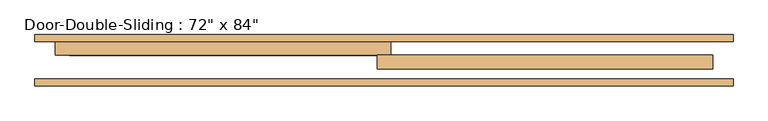
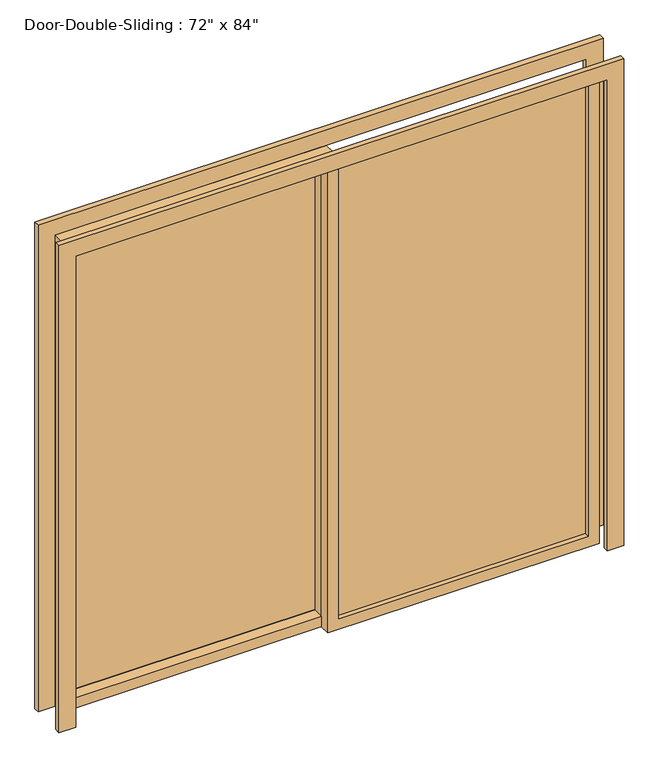
"""IFC4 building model written with IfcOpenShell, lengths in millimetres: door geometry."""

from ifc_helpers import new_model, si_unit, frame, origin, place, context, project, spatial, polyline, outline, extrude, source, transform, mapped, element, save


def door_dbe7582c(model_context):
    return source(origin(), model_context, "Body", "SweptSolid", [
        extrude(outline(polyline([(0.0, -1295.4), (0.0, -1219.2), (2286.0, -1219.2), (2286.0, 1219.2), (0.0, 1219.2), (0.0, 1295.4), (2362.2, 1295.4), (2362.2, -1295.4), (0.0, -1295.4)])), frame((0.0, 31.75, 0.0), z_axis=(0.0, 1.0, 0.0), x_axis=(0.0, 0.0, 1.0)), (0.0, 0.0, 1.0), 25.4),
        extrude(outline(polyline([(0.0, 1295.4), (2362.2, 1295.4), (2362.2, -1295.4), (0.0, -1295.4), (0.0, -1219.2), (2286.0, -1219.2), (2286.0, 1219.2), (0.0, 1219.2), (0.0, 1295.4)])), frame((0.0, 196.85, 0.0), z_axis=(0.0, 1.0, 0.0), x_axis=(0.0, 0.0, 1.0)), (0.0, 0.0, 1.0), 25.4),
        extrude(outline(polyline([(2286.0, -25.4), (0.0, -25.4), (0.0, 1219.2), (2286.0, 1219.2), (2286.0, -25.4)]), holes=[polyline([(2235.2, 25.4), (2235.2, 1168.4), (50.8, 1168.4), (50.8, 25.4), (2235.2, 25.4)])]), frame((0.0, 95.25, 0.0), z_axis=(0.0, 1.0, 0.0), x_axis=(0.0, 0.0, 1.0)), (0.0, 0.0, 1.0), 50.8),
        extrude(outline(polyline([(2286.0, 25.4), (2286.0, -1219.2), (0.0, -1219.2), (0.0, 25.4), (2286.0, 25.4)]), holes=[polyline([(2235.2, -25.4), (50.8, -25.4), (50.8, -1168.4), (2235.2, -1168.4), (2235.2, -25.4)])]), frame((0.0, 146.05, 0.0), z_axis=(0.0, 1.0, 0.0), x_axis=(0.0, 0.0, 1.0)), (0.0, 0.0, 1.0), 50.8),
        extrude(outline(polyline([(25.4, 123.825), (1168.4, 123.825), (1168.4, 117.475), (25.4, 117.475), (25.4, 123.825)])), frame((0.0, 0.0, 50.8), z_axis=(0.0, 0.0, 1.0), x_axis=(1.0, 0.0, 0.0)), (0.0, 0.0, 1.0), 2184.4),
        extrude(outline(polyline([(-25.4, 200.025), (-1168.4, 200.025), (-1168.4, 206.375), (-25.4, 206.375), (-25.4, 200.025)])), frame((0.0, 0.0, 50.8), z_axis=(0.0, 0.0, 1.0), x_axis=(1.0, 0.0, 0.0)), (0.0, 0.0, 1.0), 2184.4),
    ])


if __name__ == "__main__":
    model = new_model("IFC4")
    model_context = context("Model", 3, world=origin())
    ifc_project = project(units=[si_unit("LENGTHUNIT", "METRE", prefix="MILLI")], contexts=[model_context])
    site = spatial("IfcSite", under=ifc_project)
    building = spatial("IfcBuilding", under=site)
    placement = place(None, origin())
    door_shape = door_dbe7582c(model_context)
    element("IfcDoor", 1, ObjectType="Door-Double-Sliding : 72\" x 84\"", at=placement, inside=building, context=model_context, shape_type="MappedRepresentation", body=[
        mapped(door_shape, transform((0.0, 0.0, 0.0), x_axis=(1.0, 0.0, 0.0), y_axis=(0.0, 1.0, 0.0), z_axis=(0.0, 0.0, 1.0))),
    ])
    save(model, "model.ifc")
